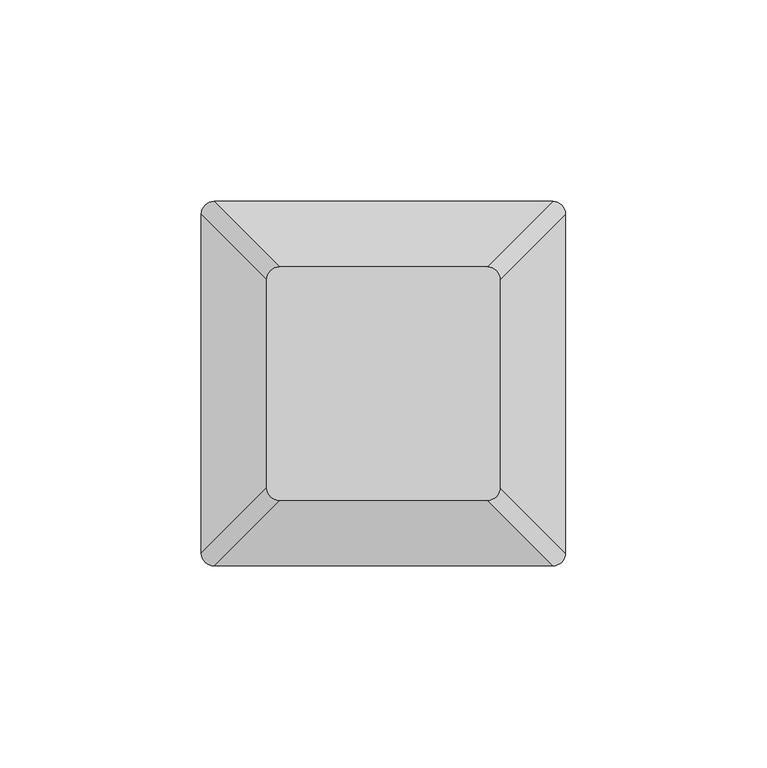
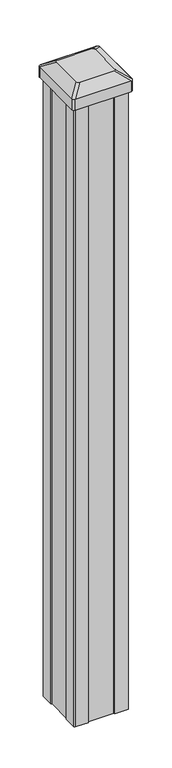
"""IFC4 building model written with IfcOpenShell, lengths in millimetres: railing geometry."""

from ifc_helpers import new_model, si_unit, point, frame, frame_2d, origin, origin_with_axes, place, context, project, spatial, polyline, circle_curve, trimmed, segment, composite_curve, outline, extrude, source, transform, mapped, element, save
from ifc_brep_helpers import plane_surface, extruded_surface, advanced_brep


def railing_58b3b856(model_context):
    return source(origin(), model_context, "Body", "SolidModel", [
        advanced_brep(
        [(-313.1826252, -47963.2929761, 1012.825), (-261.5888752, -47963.2929761, 1012.825), (-258.4138752, -47960.1179761, 1012.825), (-258.4138752, -47908.5242261, 1012.825), (-261.5888752, -47905.3492261, 1012.825), (-313.1826252, -47905.3492261, 1012.825), (-316.3576252, -47908.5242261, 1012.825), (-316.3576252, -47960.1179761, 1012.825), (-329.4545002, -47979.5648511, 1001.522), (-332.6295002, -47976.3898511, 1001.522), (-332.6295002, -47892.2523511, 1001.522), (-329.4545002, -47889.0773511, 1001.522), (-245.3170002, -47889.0773511, 1001.522), (-242.1420002, -47892.2523511, 1001.522), (-242.1420002, -47976.3898511, 1001.522), (-245.3170002, -47979.5648511, 1001.522)],
        [
            (0, 1),
            (1, 2, circle_curve(frame((-261.5888752, -47960.1179761, 1012.825), z_axis=(0.0, 0.0, 1.0), x_axis=(0.0, 1.0, 0.0)), 3.175)),
            (2, 3),
            (3, 4, circle_curve(frame((-261.5888752, -47908.5242261, 1012.825), z_axis=(0.0, 0.0, 1.0), x_axis=(0.0, 1.0, 0.0)), 3.175)),
            (4, 5),
            (5, 6, circle_curve(frame((-313.1826252, -47908.5242261, 1012.825), z_axis=(0.0, 0.0, 1.0), x_axis=(0.0, 1.0, 0.0)), 3.175)),
            (6, 7),
            (7, 0, circle_curve(frame((-313.1826252, -47960.1179761, 1012.825), z_axis=(0.0, 0.0, 1.0), x_axis=(0.0, 1.0, 0.0)), 3.175)),
            (8, 9, circle_curve(frame((-329.4545002, -47976.3898511, 1001.522), z_axis=(0.0, 0.0, -1.0), x_axis=(0.0, 1.0, 0.0)), 3.175)),
            (9, 10),
            (10, 11, circle_curve(frame((-329.4545002, -47892.2523511, 1001.522), z_axis=(0.0, 0.0, -1.0), x_axis=(0.0, 1.0, 0.0)), 3.175)),
            (11, 12),
            (12, 13, circle_curve(frame((-245.3170002, -47892.2523511, 1001.522), z_axis=(0.0, 0.0, -1.0), x_axis=(0.0, 1.0, 0.0)), 3.175)),
            (13, 14),
            (14, 15, circle_curve(frame((-245.3170002, -47976.3898511, 1001.522), z_axis=(0.0, 0.0, -1.0), x_axis=(0.0, 1.0, 0.0)), 3.175)),
            (15, 8),
            (8, 0),
            (7, 9),
            (6, 10),
            (5, 11),
            (4, 12),
            (3, 13),
            (2, 14),
            (1, 15),
        ],
        [
            plane_surface(frame((-287.3857502, -47934.3211011, 1012.825), z_axis=(0.0, 0.0, 1.0), x_axis=(-1.0, 0.0, 0.0))),
            plane_surface(frame((-287.3857502, -47934.3211011, 1001.522), z_axis=(0.0, 0.0, -1.0), x_axis=(-1.0, 0.0, 0.0))),
            extruded_surface(trimmed(circle_curve(frame((-313.1826252, -47960.1179761, 1012.825), z_axis=(0.0, 0.0, -1.0), x_axis=(0.0, 1.0, 0.0)), 3.175), [point((-313.1826252, -47963.2929761, 1012.825))], [point((-316.3576252, -47960.1179761, 1012.825))], True, "CARTESIAN"), (-16.271874999999966, -16.271874999998545, -11.302999999999997), 25.637972638865218),
            plane_surface(frame((-332.6295002, -47934.3211011, 1001.522), z_axis=(-0.5705009161540779, 0.0, 0.8212969649690408), x_axis=(0.0, 1.0, 0.0))),
            extruded_surface(trimmed(circle_curve(frame((-313.1826252, -47908.5242261, 1012.825), z_axis=(0.0, 0.0, -1.0), x_axis=(0.0, 1.0, 0.0)), 3.175), [point((-316.3576252, -47908.5242261, 1012.825))], [point((-313.1826252, -47905.3492261, 1012.825))], True, "CARTESIAN"), (-16.271874999999966, 16.271874999998545, -11.302999999999997), 25.637972638865218),
            plane_surface(frame((-287.3857502, -47889.0773511, 1001.522), z_axis=(0.0, 0.5705009161540291, 0.8212969649690747), x_axis=(1.0, 0.0, 0.0))),
            extruded_surface(trimmed(circle_curve(frame((-261.5888752, -47908.5242261, 1012.825), z_axis=(0.0, 0.0, -1.0), x_axis=(0.0, 1.0, 0.0)), 3.175), [point((-261.5888752, -47905.3492261, 1012.825))], [point((-258.4138752, -47908.5242261, 1012.825))], True, "CARTESIAN"), (16.271875000000023, 16.271874999998545, -11.302999999999997), 25.637972638865254),
            plane_surface(frame((-242.1420002, -47934.3211011, 1001.522), z_axis=(0.5705009161540141, 0.0, 0.8212969649690851), x_axis=(0.0, -1.0, 0.0))),
            extruded_surface(trimmed(circle_curve(frame((-261.5888752, -47960.1179761, 1012.825), z_axis=(0.0, 0.0, -1.0), x_axis=(0.0, 1.0, 0.0)), 3.175), [point((-258.4138752, -47960.1179761, 1012.825))], [point((-261.5888752, -47963.2929761, 1012.825))], True, "CARTESIAN"), (16.271875000000023, -16.271874999998545, -11.302999999999997), 25.637972638865254),
            plane_surface(frame((-287.3857502, -47979.5648511, 1001.522), z_axis=(0.0, -0.570500916154034, 0.8212969649690713), x_axis=(-1.0, 0.0, 0.0))),
        ],
        [
            (0, [[1, 2, 3, 4, 5, 6, 7, 8]]),
            (1, [[9, 10, 11, 12, 13, 14, 15, 16]]),
            (2, [[17, -8, 18, -9]]),
            (3, [[-18, -7, 19, -10]]),
            (4, [[-19, -6, 20, -11]]),
            (5, [[-20, -5, 21, -12]]),
            (6, [[-21, -4, 22, -13]]),
            (7, [[-22, -3, 23, -14]]),
            (8, [[-23, -2, 24, -15]]),
            (9, [[-24, -1, -17, -16]]),
        ],
    ),
        extrude(outline(composite_curve([segment(trimmed(circle_curve(frame_2d((-329.4545002, -47976.3898511)), 3.175), [point((-329.4545002, -47979.5648511))], [point((-332.6295002, -47976.3898511))], False, "CARTESIAN"), True, "CONTINUOUS"), segment(polyline([(-332.6295002, -47976.3898511), (-332.6295002, -47892.2523511)]), True, "CONTINUOUS"), segment(trimmed(circle_curve(frame_2d((-329.4545002, -47892.2523511)), 3.175), [point((-332.6295002, -47892.2523511))], [point((-329.4545002, -47889.0773511))], False, "CARTESIAN"), True, "CONTINUOUS"), segment(polyline([(-329.4545002, -47889.0773511), (-245.3170002, -47889.0773511)]), True, "CONTINUOUS"), segment(trimmed(circle_curve(frame_2d((-245.3170002, -47892.2523511)), 3.175), [point((-245.3170002, -47889.0773511))], [point((-242.1420002, -47892.2523511))], False, "CARTESIAN"), True, "CONTINUOUS"), segment(polyline([(-242.1420002, -47892.2523511), (-242.1420002, -47976.3898511)]), True, "CONTINUOUS"), segment(trimmed(circle_curve(frame_2d((-245.3170002, -47976.3898511)), 3.175), [point((-242.1420002, -47976.3898511))], [point((-245.3170002, -47979.5648511))], False, "CARTESIAN"), True, "CONTINUOUS"), segment(polyline([(-245.3170002, -47979.5648511), (-329.4545002, -47979.5648511)]), True, "CONTINUOUS")], self_intersect=False)), frame((0.0, 0.0, 984.25), z_axis=(0.0, 0.0, 1.0), x_axis=(1.0, 0.0, 0.0)), (0.0, 0.0, 1.0), 17.272),
        extrude(outline(polyline([(-327.0732502, -47975.5961011), (-328.6607502, -47974.0086011), (-328.6607502, -47954.3871011), (-327.0732502, -47953.6251011), (-327.0732502, -47915.0171011), (-328.6607502, -47914.2551011), (-328.6607502, -47894.6336011), (-327.0732502, -47893.0461011), (-307.4517502, -47893.0461011), (-306.6897502, -47894.6336011), (-268.0817502, -47894.6336011), (-267.3197502, -47893.0461011), (-247.6982502, -47893.0461011), (-246.1107502, -47894.6336011), (-246.1107502, -47914.2551011), (-247.6982502, -47915.0171011), (-247.6982502, -47953.6251011), (-246.1107502, -47954.3871011), (-246.1107502, -47974.0086011), (-247.6982502, -47975.5961011), (-267.3197502, -47975.5961011), (-268.0817502, -47974.0086011), (-306.6897502, -47974.0086011), (-307.4517502, -47975.5961011), (-327.0732502, -47975.5961011)])), origin_with_axes(), (0.0, 0.0, 1.0), 984.25),
    ])


if __name__ == "__main__":
    model = new_model("IFC4")
    model_context = context("Model", 3, world=origin())
    ifc_project = project(units=[si_unit("LENGTHUNIT", "METRE", prefix="MILLI")], contexts=[model_context])
    site = spatial("IfcSite", under=ifc_project)
    building = spatial("IfcBuilding", under=site)
    placement = place(None, origin())
    railing_shape = railing_58b3b856(model_context)
    element("IfcRailing", 1, at=placement, inside=building, context=model_context, shape_type="MappedRepresentation", body=[
        mapped(railing_shape, transform((0.0, 0.0, 0.0), x_axis=(1.0, 0.0, 0.0), y_axis=(0.0, 1.0, 0.0), z_axis=(0.0, 0.0, 1.0))),
    ])
    save(model, "model.ifc")
